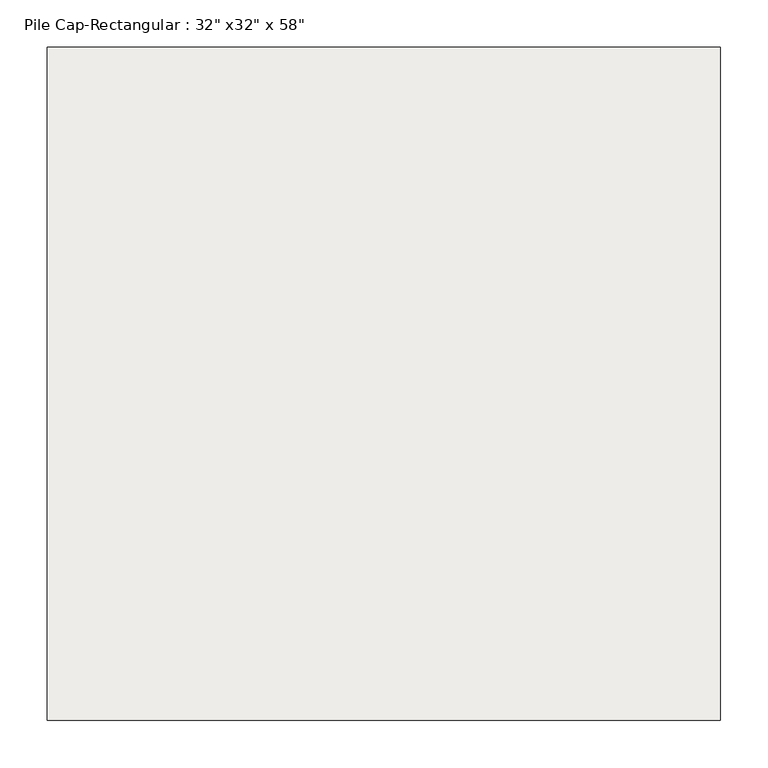
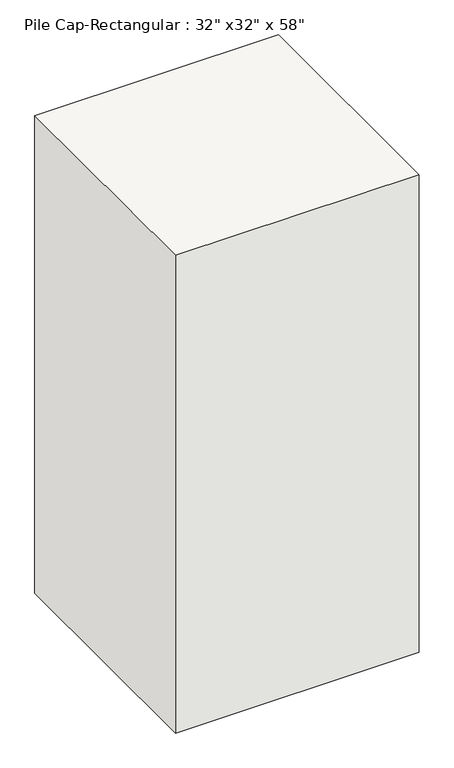
"""IFC4 building model written with IfcOpenShell, lengths in millimetres: slab geometry."""

import ifcopenshell
import ifcopenshell.guid

model = None  # the IFC model being written
_history = None  # IfcOwnerHistory: only IFC2X3 demands one
_inside = {}  # id of a spatial element -> (the spatial element, [elements in it])
_under = {}  # id of a project, library or spatial element -> (it, [spatial elements below it])
_declared = {}  # id of a project -> (the project, [libraries it declares])
_typed = {}  # id of a type object -> (the type object, [elements of that type])
_made_of = {}  # id of a material, layer set ... -> (it, [elements and type objects made of it])


def new_model(schema):
    """Start an empty IFC model of exactly this schema.

    Asked for "IFC4X3", IfcOpenShell would pick the latest addendum, in which some entities
    have other attributes; the version numbers below select the first issue.
    IFC2X3 requires an IfcOwnerHistory on every rooted entity: one is made here for all.
    """
    global model, _history
    if schema == "IFC4X3":
        model = ifcopenshell.file(schema_version=(4, 3, 0, 0))
    else:
        model = ifcopenshell.file(schema=schema)
    _inside.clear()
    _under.clear()
    _declared.clear()
    _typed.clear()
    _made_of.clear()
    _history = None
    if model.schema == "IFC2X3":
        org = make("IfcOrganization", Name="unknown")
        user = make(
            "IfcPersonAndOrganization",
            ThePerson=make("IfcPerson", FamilyName="unknown"),
            TheOrganization=org,
        )
        app = make(
            "IfcApplication",
            ApplicationDeveloper=org,
            Version="unknown",
            ApplicationFullName="unknown",
            ApplicationIdentifier="unknown",
        )
        _history = make(
            "IfcOwnerHistory",
            OwningUser=user,
            OwningApplication=app,
            ChangeAction="ADDED",
            CreationDate=0,
        )
    return model


def make(cls, **values):
    """One entity of the class cls with the attributes given. An attribute that is None is left unset."""
    return model.create_entity(
        cls, **{name: value for name, value in values.items() if value is not None}
    )


def rooted(cls, **values):
    """An entity with a GlobalId (a new one), such as an element, a storey or a relation."""
    return make(cls, GlobalId=ifcopenshell.guid.new(), OwnerHistory=_history, **values)


def si_unit(unit_type, name, prefix=None):
    """IfcSIUnit, for example si_unit("LENGTHUNIT", "METRE", prefix="MILLI")."""
    return make("IfcSIUnit", UnitType=unit_type, Prefix=prefix, Name=name)


def assignment(units):
    """IfcUnitAssignment: the units of a project."""
    return None if units is None else make("IfcUnitAssignment", Units=units)


def point(xyz):
    """IfcCartesianPoint."""
    return None if xyz is None else make("IfcCartesianPoint", Coordinates=xyz)


def direction(xyz):
    """IfcDirection."""
    return None if xyz is None else make("IfcDirection", DirectionRatios=xyz)


def frame(location, z_axis=None, x_axis=None):
    """IfcAxis2Placement3D, a coordinate frame: its origin and axes. An axis left out is left unset."""
    return make(
        "IfcAxis2Placement3D",
        Location=point(location),
        Axis=direction(z_axis),
        RefDirection=direction(x_axis),
    )


def origin():
    """The frame at (0, 0, 0) with its axes left unset."""
    return frame((0.0, 0.0, 0.0))


def place(relative_to, where):
    """IfcLocalPlacement: puts the frame where relative to a parent placement (None: the world)."""
    return make(
        "IfcLocalPlacement", PlacementRelTo=relative_to, RelativePlacement=where
    )


def context(
    kind, dimensions, precision=None, world=None, true_north=None, identifier=None
):
    """IfcGeometricRepresentationContext, for example the 3D "Model" context."""
    return make(
        "IfcGeometricRepresentationContext",
        ContextIdentifier=identifier,
        ContextType=kind,
        CoordinateSpaceDimension=dimensions,
        Precision=precision,
        WorldCoordinateSystem=world,
        TrueNorth=true_north,
    )


def project(units=None, contexts=None):
    """IfcProject with its units and contexts."""
    return rooted(
        "IfcProject",
        Name="project",
        RepresentationContexts=contexts,
        UnitsInContext=assignment(units),
    )


def spatial(cls, under=None, at=None, **own):
    """A site, building, storey or space (cls), placed at a placement, below another one or the project."""
    s = rooted(cls, ObjectPlacement=at, **own)
    if under is not None:
        _under.setdefault(under.id(), (under, []))[1].append(s)
    return s


def polyline(points):
    """IfcPolyline through the points."""
    return make("IfcPolyline", Points=[point(p) for p in points])


def outline(outer, holes=None, kind="AREA"):
    """IfcArbitraryClosedProfileDef: a profile drawn as a closed curve; with holes, ...WithVoids."""
    if holes is None:
        return make("IfcArbitraryClosedProfileDef", ProfileType=kind, OuterCurve=outer)
    return make(
        "IfcArbitraryProfileDefWithVoids",
        ProfileType=kind,
        OuterCurve=outer,
        InnerCurves=holes,
    )


def extrude(swept, where, along, depth):
    """IfcExtrudedAreaSolid: the profile swept, set in the frame where, extruded along a direction by depth."""
    return make(
        "IfcExtrudedAreaSolid",
        SweptArea=swept,
        Position=where,
        ExtrudedDirection=direction(along),
        Depth=depth,
    )


def shape(context_of_items, identifier, shape_type, items):
    """IfcShapeRepresentation: the items that make up one representation, for example the "Body"."""
    return make(
        "IfcShapeRepresentation",
        ContextOfItems=context_of_items,
        RepresentationIdentifier=identifier,
        RepresentationType=shape_type,
        Items=items,
    )


def source(mapping_origin, context_of_items, identifier, shape_type, items):
    """IfcRepresentationMap: a shape defined once, which mapped items show again and again."""
    return make(
        "IfcRepresentationMap",
        MappingOrigin=mapping_origin,
        MappedRepresentation=shape(context_of_items, identifier, shape_type, items),
    )


def transform(
    local_origin,
    x_axis=None,
    y_axis=None,
    z_axis=None,
    scale=None,
    scale2=None,
    scale3=None,
    uniform=True,
):
    """IfcCartesianTransformationOperator3D, or its non-uniform kind. x_axis, y_axis, z_axis: its Axis1, 2, 3."""
    if uniform:
        return make(
            "IfcCartesianTransformationOperator3D",
            Axis1=direction(x_axis),
            Axis2=direction(y_axis),
            LocalOrigin=point(local_origin),
            Scale=scale,
            Axis3=direction(z_axis),
        )
    return make(
        "IfcCartesianTransformationOperator3DnonUniform",
        Axis1=direction(x_axis),
        Axis2=direction(y_axis),
        LocalOrigin=point(local_origin),
        Scale=scale,
        Axis3=direction(z_axis),
        Scale2=scale2,
        Scale3=scale3,
    )


def mapped(mapping_source, mapping_target):
    """IfcMappedItem: shows the shape of a source again, moved by a transform."""
    return make(
        "IfcMappedItem", MappingSource=mapping_source, MappingTarget=mapping_target
    )


def made_of(thing, what):
    """Note that an element or type object is made of a material, layer set ...; save() writes the relation."""
    if what is not None:
        _made_of.setdefault(what.id(), (what, []))[1].append(thing)
    return thing


def element(
    cls,
    number,
    at=None,
    inside=None,
    cuts=None,
    type_object=None,
    material=None,
    context=None,
    identifier="Body",
    shape_type=None,
    held_by="IfcProductDefinitionShape",
    body=None,
    shapes=None,
    **own,
):
    """One element of the class cls, such as IfcWall. Its Tag is "e" and its number.

    at: its placement. inside: the storey or other place that contains it. cuts: it is an
    opening in that element (IfcRelVoidsElement). A single representation is given by context,
    identifier, shape_type and body (its items); several are given by shapes. held_by: the class
    of the entity that holds the representations. save() writes the other relations.
    """
    e = rooted(cls, Tag="e%d" % number, ObjectPlacement=at, **own)
    if body is not None:
        shapes = [shape(context, identifier, shape_type, body)]
    if shapes is not None:
        e.Representation = make(held_by, Representations=shapes)
    if inside is not None:
        _inside.setdefault(inside.id(), (inside, []))[1].append(e)
    if cuts is not None:
        rooted(
            "IfcRelVoidsElement", RelatingBuildingElement=cuts, RelatedOpeningElement=e
        )
    if type_object is not None:
        _typed.setdefault(type_object.id(), (type_object, []))[1].append(e)
    return made_of(e, material)


def aggregate(whole, parts):
    """IfcRelAggregates: a whole, such as a stair, and the parts it consists of."""
    return rooted("IfcRelAggregates", RelatingObject=whole, RelatedObjects=parts)


def save(model, path):
    """Write the relations noted so far, then the file.

    IfcRelAggregates (storeys below a building ...), IfcRelContainedInSpatialStructure (elements
    in a storey), IfcRelDefinesByType, IfcRelAssociatesMaterial and IfcRelDeclares: one each for
    every whole, place, type object, material and project.
    """
    for whole, parts in _under.values():
        aggregate(whole, parts)
    for where, things in _inside.values():
        rooted(
            "IfcRelContainedInSpatialStructure",
            RelatedElements=things,
            RelatingStructure=where,
        )
    for kind, things in _typed.values():
        rooted("IfcRelDefinesByType", RelatedObjects=things, RelatingType=kind)
    for what, things in _made_of.values():
        rooted("IfcRelAssociatesMaterial", RelatedObjects=things, RelatingMaterial=what)
    for by, libraries in _declared.values():
        rooted("IfcRelDeclares", RelatingContext=by, RelatedDefinitions=libraries)
    model.write(path)


def slab_7ca84a05(model_context):
    return source(origin(), model_context, "Body", "SweptSolid", [
        extrude(outline(polyline([(355.6, 355.6), (355.6, -355.6), (-355.6, -355.6), (-355.6, 355.6), (355.6, 355.6)])), frame((0.0, 0.0, -1473.2), z_axis=(0.0, 0.0, 1.0), x_axis=(1.0, 0.0, 0.0)), (0.0, 0.0, 1.0), 1473.2),
    ])


if __name__ == "__main__":
    model = new_model("IFC4")
    model_context = context("Model", 3, world=origin())
    ifc_project = project(units=[si_unit("LENGTHUNIT", "METRE", prefix="MILLI")], contexts=[model_context])
    site = spatial("IfcSite", under=ifc_project)
    building = spatial("IfcBuilding", under=site)
    placement = place(None, origin())
    slab_shape = slab_7ca84a05(model_context)
    element("IfcSlab", 1, ObjectType="Pile Cap-Rectangular : 32\" x32\" x 58\"", at=placement, inside=building, context=model_context, shape_type="MappedRepresentation", body=[
        mapped(slab_shape, transform((0.0, 0.0, 0.0), x_axis=(1.0, 0.0, 0.0), y_axis=(0.0, 1.0, 0.0), z_axis=(0.0, 0.0, 1.0))),
    ])
    save(model, "model.ifc")
